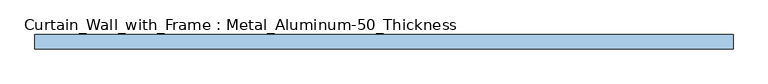
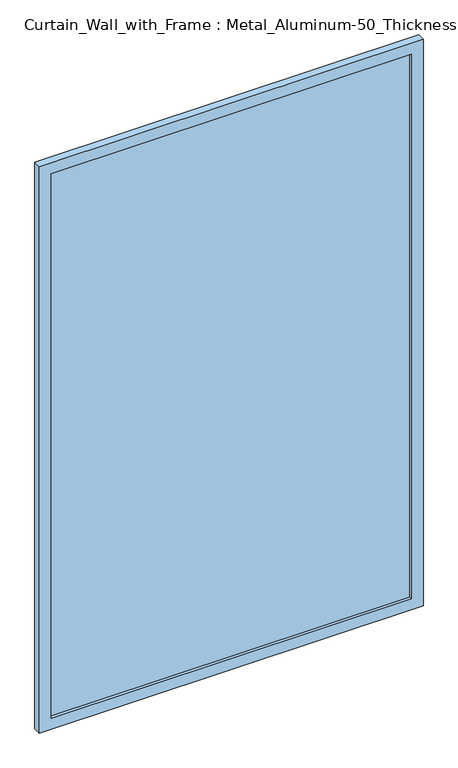
"""IFC4 building model written with IfcOpenShell, lengths in millimetres: window geometry, Curtain_Wall_with_Frame : Metal_Aluminum-50_Thickness."""

from ifc_helpers import new_model, si_unit, frame, origin, place, context, project, spatial, polyline, outline, extrude, source, transform, mapped, element, save


def curtain_wall_with_frame_metal_aluminum_50_thickness_500db7f2(model_context):
    return source(origin(), model_context, "Body", "SweptSolid", [
        extrude(outline(polyline([(1150.0, 30.95), (1150.0, 18.25), (-1150.0, 18.25), (-1150.0, 30.95), (1150.0, 30.95)])), frame((0.0, 0.0, 75.0), z_axis=(0.0, 0.0, 1.0), x_axis=(1.0, 0.0, 0.0)), (0.0, 0.0, 1.0), 3670.0),
        extrude(outline(polyline([(3820.0, -1225.0), (0.0, -1225.0), (0.0, 1225.0), (3820.0, 1225.0), (3820.0, -1225.0)]), holes=[polyline([(3745.0, -1150.0), (3745.0, 1150.0), (75.0, 1150.0), (75.0, -1150.0), (3745.0, -1150.0)])]), frame((0.0, 0.0, 0.0), z_axis=(0.0, 1.0, 0.0), x_axis=(0.0, 0.0, 1.0)), (0.0, 0.0, 1.0), 50.0),
    ])


if __name__ == "__main__":
    model = new_model("IFC4")
    model_context = context("Model", 3, world=origin())
    ifc_project = project(units=[si_unit("LENGTHUNIT", "METRE", prefix="MILLI")], contexts=[model_context])
    site = spatial("IfcSite", under=ifc_project)
    building = spatial("IfcBuilding", under=site)
    placement = place(None, origin())
    curtain_wall_with_frame_metal_aluminum_50_thickness_shape = curtain_wall_with_frame_metal_aluminum_50_thickness_500db7f2(model_context)
    element("IfcWindow", 1, ObjectType="Curtain_Wall_with_Frame : Metal_Aluminum-50_Thickness", at=placement, inside=building, context=model_context, shape_type="MappedRepresentation", body=[
        mapped(curtain_wall_with_frame_metal_aluminum_50_thickness_shape, transform((0.0, 0.0, 0.0), x_axis=(1.0, 0.0, 0.0), y_axis=(0.0, 1.0, 0.0), z_axis=(0.0, 0.0, 1.0))),
    ])
    save(model, "model.ifc")
